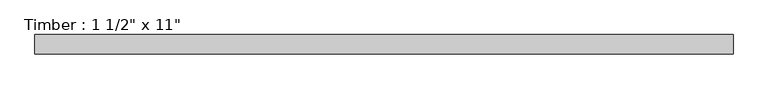
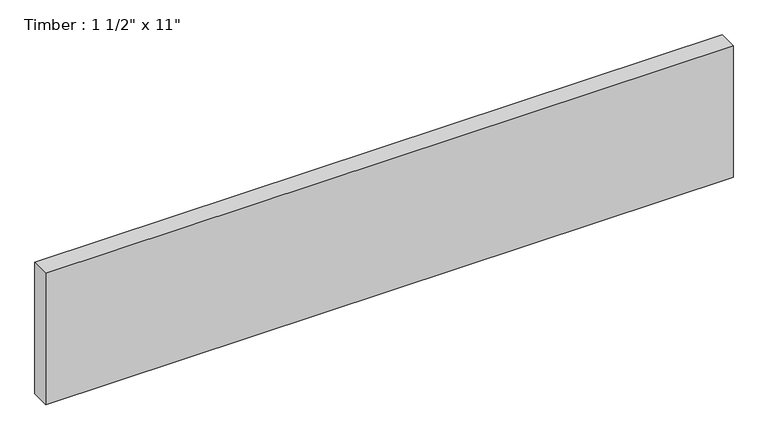
"""IFC4 building model written with IfcOpenShell, lengths in millimetres: beam geometry."""

import ifcopenshell
import ifcopenshell.guid

model = None  # the IFC model being written
_history = None  # IfcOwnerHistory: only IFC2X3 demands one
_inside = {}  # id of a spatial element -> (the spatial element, [elements in it])
_under = {}  # id of a project, library or spatial element -> (it, [spatial elements below it])
_declared = {}  # id of a project -> (the project, [libraries it declares])
_typed = {}  # id of a type object -> (the type object, [elements of that type])
_made_of = {}  # id of a material, layer set ... -> (it, [elements and type objects made of it])


def new_model(schema):
    """Start an empty IFC model of exactly this schema.

    Asked for "IFC4X3", IfcOpenShell would pick the latest addendum, in which some entities
    have other attributes; the version numbers below select the first issue.
    IFC2X3 requires an IfcOwnerHistory on every rooted entity: one is made here for all.
    """
    global model, _history
    if schema == "IFC4X3":
        model = ifcopenshell.file(schema_version=(4, 3, 0, 0))
    else:
        model = ifcopenshell.file(schema=schema)
    _inside.clear()
    _under.clear()
    _declared.clear()
    _typed.clear()
    _made_of.clear()
    _history = None
    if model.schema == "IFC2X3":
        org = make("IfcOrganization", Name="unknown")
        user = make(
            "IfcPersonAndOrganization",
            ThePerson=make("IfcPerson", FamilyName="unknown"),
            TheOrganization=org,
        )
        app = make(
            "IfcApplication",
            ApplicationDeveloper=org,
            Version="unknown",
            ApplicationFullName="unknown",
            ApplicationIdentifier="unknown",
        )
        _history = make(
            "IfcOwnerHistory",
            OwningUser=user,
            OwningApplication=app,
            ChangeAction="ADDED",
            CreationDate=0,
        )
    return model


def make(cls, **values):
    """One entity of the class cls with the attributes given. An attribute that is None is left unset."""
    return model.create_entity(
        cls, **{name: value for name, value in values.items() if value is not None}
    )


def rooted(cls, **values):
    """An entity with a GlobalId (a new one), such as an element, a storey or a relation."""
    return make(cls, GlobalId=ifcopenshell.guid.new(), OwnerHistory=_history, **values)


def si_unit(unit_type, name, prefix=None):
    """IfcSIUnit, for example si_unit("LENGTHUNIT", "METRE", prefix="MILLI")."""
    return make("IfcSIUnit", UnitType=unit_type, Prefix=prefix, Name=name)


def assignment(units):
    """IfcUnitAssignment: the units of a project."""
    return None if units is None else make("IfcUnitAssignment", Units=units)


def point(xyz):
    """IfcCartesianPoint."""
    return None if xyz is None else make("IfcCartesianPoint", Coordinates=xyz)


def direction(xyz):
    """IfcDirection."""
    return None if xyz is None else make("IfcDirection", DirectionRatios=xyz)


def frame(location, z_axis=None, x_axis=None):
    """IfcAxis2Placement3D, a coordinate frame: its origin and axes. An axis left out is left unset."""
    return make(
        "IfcAxis2Placement3D",
        Location=point(location),
        Axis=direction(z_axis),
        RefDirection=direction(x_axis),
    )


def origin():
    """The frame at (0, 0, 0) with its axes left unset."""
    return frame((0.0, 0.0, 0.0))


def place(relative_to, where):
    """IfcLocalPlacement: puts the frame where relative to a parent placement (None: the world)."""
    return make(
        "IfcLocalPlacement", PlacementRelTo=relative_to, RelativePlacement=where
    )


def context(
    kind, dimensions, precision=None, world=None, true_north=None, identifier=None
):
    """IfcGeometricRepresentationContext, for example the 3D "Model" context."""
    return make(
        "IfcGeometricRepresentationContext",
        ContextIdentifier=identifier,
        ContextType=kind,
        CoordinateSpaceDimension=dimensions,
        Precision=precision,
        WorldCoordinateSystem=world,
        TrueNorth=true_north,
    )


def project(units=None, contexts=None):
    """IfcProject with its units and contexts."""
    return rooted(
        "IfcProject",
        Name="project",
        RepresentationContexts=contexts,
        UnitsInContext=assignment(units),
    )


def spatial(cls, under=None, at=None, **own):
    """A site, building, storey or space (cls), placed at a placement, below another one or the project."""
    s = rooted(cls, ObjectPlacement=at, **own)
    if under is not None:
        _under.setdefault(under.id(), (under, []))[1].append(s)
    return s


def polyline(points):
    """IfcPolyline through the points."""
    return make("IfcPolyline", Points=[point(p) for p in points])


def outline(outer, holes=None, kind="AREA"):
    """IfcArbitraryClosedProfileDef: a profile drawn as a closed curve; with holes, ...WithVoids."""
    if holes is None:
        return make("IfcArbitraryClosedProfileDef", ProfileType=kind, OuterCurve=outer)
    return make(
        "IfcArbitraryProfileDefWithVoids",
        ProfileType=kind,
        OuterCurve=outer,
        InnerCurves=holes,
    )


def extrude(swept, where, along, depth):
    """IfcExtrudedAreaSolid: the profile swept, set in the frame where, extruded along a direction by depth."""
    return make(
        "IfcExtrudedAreaSolid",
        SweptArea=swept,
        Position=where,
        ExtrudedDirection=direction(along),
        Depth=depth,
    )


def shape(context_of_items, identifier, shape_type, items):
    """IfcShapeRepresentation: the items that make up one representation, for example the "Body"."""
    return make(
        "IfcShapeRepresentation",
        ContextOfItems=context_of_items,
        RepresentationIdentifier=identifier,
        RepresentationType=shape_type,
        Items=items,
    )


def source(mapping_origin, context_of_items, identifier, shape_type, items):
    """IfcRepresentationMap: a shape defined once, which mapped items show again and again."""
    return make(
        "IfcRepresentationMap",
        MappingOrigin=mapping_origin,
        MappedRepresentation=shape(context_of_items, identifier, shape_type, items),
    )


def transform(
    local_origin,
    x_axis=None,
    y_axis=None,
    z_axis=None,
    scale=None,
    scale2=None,
    scale3=None,
    uniform=True,
):
    """IfcCartesianTransformationOperator3D, or its non-uniform kind. x_axis, y_axis, z_axis: its Axis1, 2, 3."""
    if uniform:
        return make(
            "IfcCartesianTransformationOperator3D",
            Axis1=direction(x_axis),
            Axis2=direction(y_axis),
            LocalOrigin=point(local_origin),
            Scale=scale,
            Axis3=direction(z_axis),
        )
    return make(
        "IfcCartesianTransformationOperator3DnonUniform",
        Axis1=direction(x_axis),
        Axis2=direction(y_axis),
        LocalOrigin=point(local_origin),
        Scale=scale,
        Axis3=direction(z_axis),
        Scale2=scale2,
        Scale3=scale3,
    )


def mapped(mapping_source, mapping_target):
    """IfcMappedItem: shows the shape of a source again, moved by a transform."""
    return make(
        "IfcMappedItem", MappingSource=mapping_source, MappingTarget=mapping_target
    )


def made_of(thing, what):
    """Note that an element or type object is made of a material, layer set ...; save() writes the relation."""
    if what is not None:
        _made_of.setdefault(what.id(), (what, []))[1].append(thing)
    return thing


def element(
    cls,
    number,
    at=None,
    inside=None,
    cuts=None,
    type_object=None,
    material=None,
    context=None,
    identifier="Body",
    shape_type=None,
    held_by="IfcProductDefinitionShape",
    body=None,
    shapes=None,
    **own,
):
    """One element of the class cls, such as IfcWall. Its Tag is "e" and its number.

    at: its placement. inside: the storey or other place that contains it. cuts: it is an
    opening in that element (IfcRelVoidsElement). A single representation is given by context,
    identifier, shape_type and body (its items); several are given by shapes. held_by: the class
    of the entity that holds the representations. save() writes the other relations.
    """
    e = rooted(cls, Tag="e%d" % number, ObjectPlacement=at, **own)
    if body is not None:
        shapes = [shape(context, identifier, shape_type, body)]
    if shapes is not None:
        e.Representation = make(held_by, Representations=shapes)
    if inside is not None:
        _inside.setdefault(inside.id(), (inside, []))[1].append(e)
    if cuts is not None:
        rooted(
            "IfcRelVoidsElement", RelatingBuildingElement=cuts, RelatedOpeningElement=e
        )
    if type_object is not None:
        _typed.setdefault(type_object.id(), (type_object, []))[1].append(e)
    return made_of(e, material)


def aggregate(whole, parts):
    """IfcRelAggregates: a whole, such as a stair, and the parts it consists of."""
    return rooted("IfcRelAggregates", RelatingObject=whole, RelatedObjects=parts)


def save(model, path):
    """Write the relations noted so far, then the file.

    IfcRelAggregates (storeys below a building ...), IfcRelContainedInSpatialStructure (elements
    in a storey), IfcRelDefinesByType, IfcRelAssociatesMaterial and IfcRelDeclares: one each for
    every whole, place, type object, material and project.
    """
    for whole, parts in _under.values():
        aggregate(whole, parts)
    for where, things in _inside.values():
        rooted(
            "IfcRelContainedInSpatialStructure",
            RelatedElements=things,
            RelatingStructure=where,
        )
    for kind, things in _typed.values():
        rooted("IfcRelDefinesByType", RelatedObjects=things, RelatingType=kind)
    for what, things in _made_of.values():
        rooted("IfcRelAssociatesMaterial", RelatedObjects=things, RelatingMaterial=what)
    for by, libraries in _declared.values():
        rooted("IfcRelDeclares", RelatingContext=by, RelatedDefinitions=libraries)
    model.write(path)


def beam_4127421d(model_context):
    return source(origin(), model_context, "Body", "SweptSolid", [
        extrude(outline(polyline([(690.8501775, 19.05), (690.8501775, -19.05), (-690.8501775, -19.05), (-690.8501775, 19.05), (690.8501775, 19.05)])), frame((0.0, 0.0, -139.7), z_axis=(0.0, 0.0, 1.0), x_axis=(1.0, 0.0, 0.0)), (0.0, 0.0, 1.0), 279.4),
    ])


if __name__ == "__main__":
    model = new_model("IFC4")
    model_context = context("Model", 3, world=origin())
    ifc_project = project(units=[si_unit("LENGTHUNIT", "METRE", prefix="MILLI")], contexts=[model_context])
    site = spatial("IfcSite", under=ifc_project)
    building = spatial("IfcBuilding", under=site)
    placement = place(None, origin())
    beam_shape = beam_4127421d(model_context)
    element("IfcBeam", 1, ObjectType="Timber : 1 1/2\" x 11\"", at=placement, inside=building, context=model_context, shape_type="MappedRepresentation", body=[
        mapped(beam_shape, transform((0.0, 0.0, 0.0), x_axis=(1.0, 0.0, 0.0), y_axis=(0.0, 1.0, 0.0), z_axis=(0.0, 0.0, 1.0))),
    ])
    save(model, "model.ifc")
